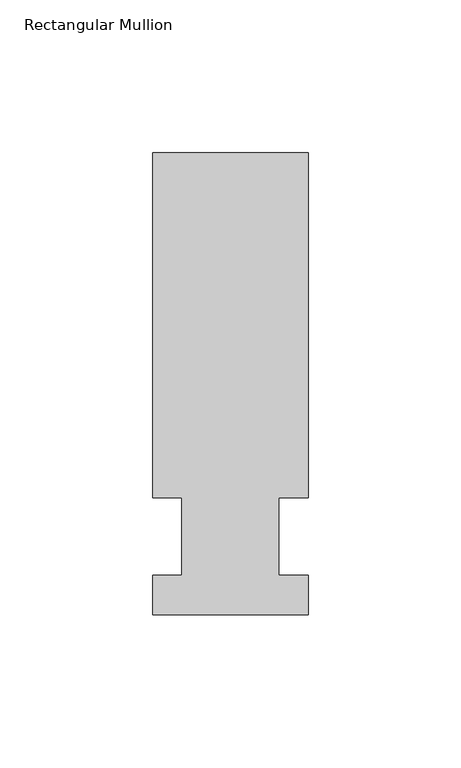
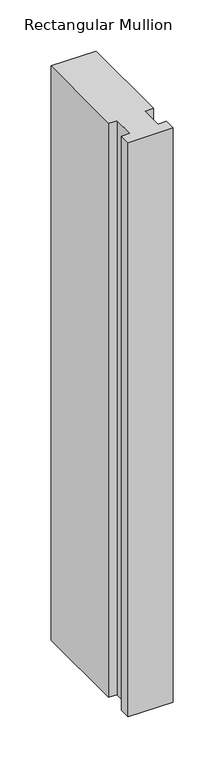
"""IFC4 building model written with IfcOpenShell, lengths in millimetres: member geometry, Rectangular Mullion."""

from ifc_helpers import new_model, si_unit, frame, origin, place, context, project, spatial, polyline, outline, extrude, source, transform, mapped, element, save


def rectangular_mullion_2be6f36e(model_context):
    return source(origin(), model_context, "Body", "SweptSolid", [
        extrude(outline(polyline([(-25.4, -25.58415), (-25.4, -12.7), (-15.875, -12.7), (-15.875, 12.7), (-25.4, 12.7), (-25.4, 125.59665), (25.4, 125.59665), (25.4, 12.7), (15.875, 12.7), (15.875, -12.7), (25.4, -12.7), (25.4, -25.58415), (-25.4, -25.58415)])), frame((0.0, 0.0, -685.8), z_axis=(0.0, 0.0, 1.0), x_axis=(1.0, 0.0, 0.0)), (0.0, 0.0, 1.0), 685.8),
    ])


if __name__ == "__main__":
    model = new_model("IFC4")
    model_context = context("Model", 3, world=origin())
    ifc_project = project(units=[si_unit("LENGTHUNIT", "METRE", prefix="MILLI")], contexts=[model_context])
    site = spatial("IfcSite", under=ifc_project)
    building = spatial("IfcBuilding", under=site)
    placement = place(None, origin())
    rectangular_mullion_shape = rectangular_mullion_2be6f36e(model_context)
    element("IfcMember", 1, ObjectType="Rectangular Mullion", at=placement, inside=building, context=model_context, shape_type="MappedRepresentation", body=[
        mapped(rectangular_mullion_shape, transform((0.0, 0.0, 0.0), x_axis=(1.0, 0.0, 0.0), y_axis=(0.0, 1.0, 0.0), z_axis=(0.0, 0.0, 1.0))),
    ])
    save(model, "model.ifc")
